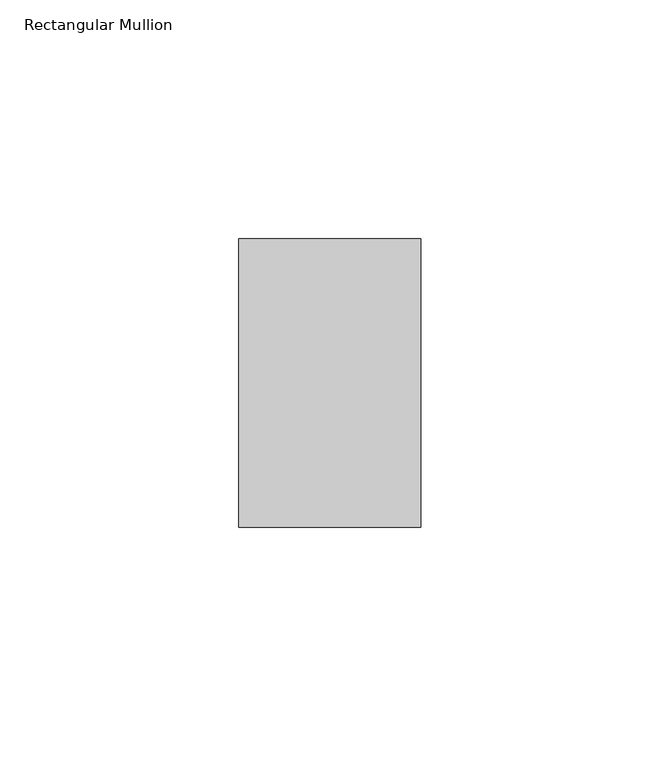
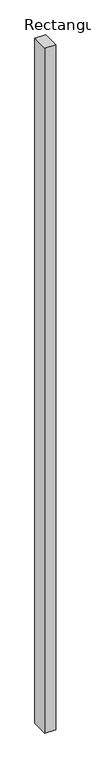
"""IFC4 building model written with IfcOpenShell, lengths in millimetres: member geometry, Rectangular Mullion."""

from ifc_helpers import new_model, si_unit, frame, origin, place, context, project, spatial, polyline, outline, extrude, source, transform, mapped, element, save


def rectangular_mullion_d73f1c52(model_context):
    return source(origin(), model_context, "Body", "SweptSolid", [
        extrude(outline(polyline([(-38.1, 50.8), (0.0, 50.8), (0.0, -9.525), (-38.1, -9.525), (-38.1, 50.8)])), frame((0.0, 0.0, -2549.525), z_axis=(0.0, 0.0, 1.0), x_axis=(1.0, 0.0, 0.0)), (0.0, 0.0, 1.0), 2549.525),
    ])


if __name__ == "__main__":
    model = new_model("IFC4")
    model_context = context("Model", 3, world=origin())
    ifc_project = project(units=[si_unit("LENGTHUNIT", "METRE", prefix="MILLI")], contexts=[model_context])
    site = spatial("IfcSite", under=ifc_project)
    building = spatial("IfcBuilding", under=site)
    placement = place(None, origin())
    rectangular_mullion_shape = rectangular_mullion_d73f1c52(model_context)
    element("IfcMember", 1, ObjectType="Rectangular Mullion", at=placement, inside=building, context=model_context, shape_type="MappedRepresentation", body=[
        mapped(rectangular_mullion_shape, transform((0.0, 0.0, 0.0), x_axis=(1.0, 0.0, 0.0), y_axis=(0.0, 1.0, 0.0), z_axis=(0.0, 0.0, 1.0))),
    ])
    save(model, "model.ifc")
